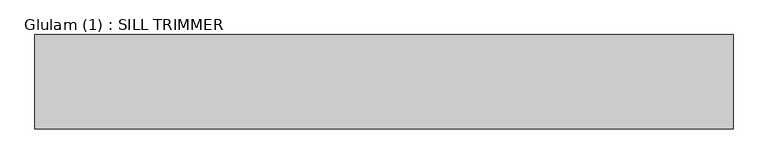
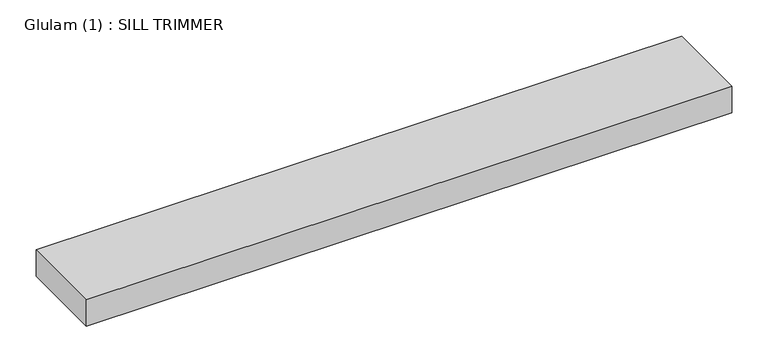
"""IFC4 building model written with IfcOpenShell, lengths in millimetres: beam geometry, Glulam (1) : SILL TRIMMER."""

from ifc_helpers import new_model, si_unit, frame, origin, place, context, project, spatial, polyline, outline, extrude, source, transform, mapped, element, save


def glulam_1_sill_trimmer_86663d79(model_context):
    return source(origin(), model_context, "Body", "SweptSolid", [
        extrude(outline(polyline([(514.0, 70.0), (514.0, -70.0), (-520.0, -70.0), (-520.0, 70.0), (514.0, 70.0)])), frame((0.0, 0.0, -22.5), z_axis=(0.0, 0.0, 1.0), x_axis=(1.0, 0.0, 0.0)), (0.0, 0.0, 1.0), 45.0),
    ])


if __name__ == "__main__":
    model = new_model("IFC4")
    model_context = context("Model", 3, world=origin())
    ifc_project = project(units=[si_unit("LENGTHUNIT", "METRE", prefix="MILLI")], contexts=[model_context])
    site = spatial("IfcSite", under=ifc_project)
    building = spatial("IfcBuilding", under=site)
    placement = place(None, origin())
    glulam_1_sill_trimmer_shape = glulam_1_sill_trimmer_86663d79(model_context)
    element("IfcBeam", 1, ObjectType="Glulam (1) : SILL TRIMMER", at=placement, inside=building, context=model_context, shape_type="MappedRepresentation", body=[
        mapped(glulam_1_sill_trimmer_shape, transform((0.0, 0.0, 0.0), x_axis=(1.0, 0.0, 0.0), y_axis=(0.0, 1.0, 0.0), z_axis=(0.0, 0.0, 1.0))),
    ])
    save(model, "model.ifc")
